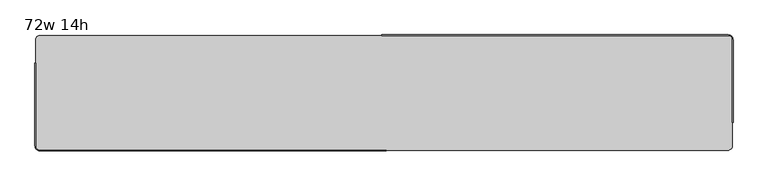
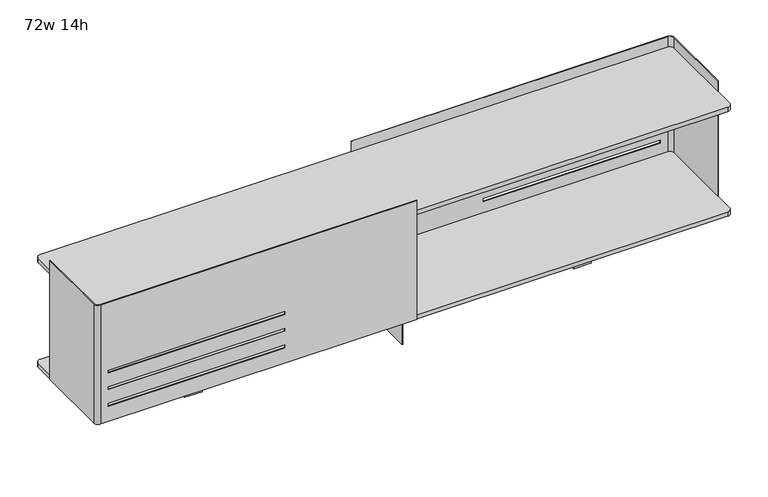
"""IFC4 building model written with IfcOpenShell, lengths in millimetres: furniture geometry, 72w 14h."""

from ifc_helpers import new_model, si_unit, point, frame, frame_2d, origin, place, context, project, spatial, polyline, circle_curve, trimmed, segment, composite_curve, outline, extrude, source, transform, mapped, element, save
from ifc_brep_helpers import plane_surface, cylinder_surface, revolved_surface, advanced_brep


def furniture_72w_14h_02fd8ac3(model_context):
    return source(origin(), model_context, "Body", "SolidModel", [
        extrude(outline(polyline([(6.35, 493.7125), (6.35, 265.1125), (-6.35, 265.1125), (-6.35, 493.7125), (6.35, 493.7125)])), frame((0.0, 0.0, 860.4250242), z_axis=(0.0, 0.0, 1.0), x_axis=(1.0, 0.0, 0.0)), (0.0, 0.0, 1.0), 305.387343),
        advanced_brep(
        [(901.7, 493.7125, 1209.675), (912.8125, 482.6, 1209.675), (912.8125, 265.1125, 1209.675), (914.4, 265.1125, 1209.675), (914.4, 482.6, 1209.675), (901.7, 495.3, 1209.675), (-6.35, 495.3, 1209.675), (-6.35, 493.7125, 1209.675), (901.7, 493.7125, 847.725), (-6.35, 493.7125, 847.725), (-6.35, 495.3, 847.725), (901.7, 495.3, 847.725), (914.4, 482.6, 847.725), (914.4, 265.1125, 847.725), (912.8125, 265.1125, 847.725), (912.8125, 482.6, 847.725), (880.3639961, 493.7125, 902.4144186), (880.3639961, 493.7125, 894.1593992), (372.3639961, 493.7125, 894.1593992), (372.3639961, 493.7125, 902.4144186), (880.3639961, 493.7125, 1004.0143944), (880.3639961, 493.7125, 995.759375), (372.3639961, 493.7125, 995.759375), (372.3639961, 493.7125, 1004.0143944), (880.3639961, 493.7125, 953.2144065), (880.3639961, 493.7125, 944.9593871), (372.3639961, 493.7125, 944.9593871), (372.3639961, 493.7125, 953.2144065), (880.3639961, 495.3, 894.1593992), (880.3639961, 495.3, 902.4144186), (372.3639961, 495.3, 902.4144186), (372.3639961, 495.3, 894.1593992), (880.3639961, 495.3, 995.759375), (880.3639961, 495.3, 1004.0143944), (372.3639961, 495.3, 1004.0143944), (372.3639961, 495.3, 995.759375), (880.3639961, 495.3, 944.9593871), (880.3639961, 495.3, 953.2144065), (372.3639961, 495.3, 953.2144065), (372.3639961, 495.3, 944.9593871)],
        [
            (0, 1, circle_curve(frame((901.7, 482.6, 1209.675), z_axis=(0.0, 0.0, -1.0), x_axis=(1.0, 0.0, 0.0)), 11.1125)),
            (1, 2),
            (2, 3),
            (3, 4),
            (4, 5, circle_curve(frame((901.7, 482.6, 1209.675), z_axis=(0.0, 0.0, 1.0), x_axis=(1.0, 0.0, 0.0)), 12.7)),
            (5, 6),
            (6, 7),
            (7, 0),
            (8, 9),
            (9, 10),
            (10, 11),
            (11, 12, circle_curve(frame((901.7, 482.6, 847.725), z_axis=(0.0, 0.0, -1.0), x_axis=(1.0, 0.0, 0.0)), 12.7)),
            (12, 13),
            (13, 14),
            (14, 15),
            (15, 8, circle_curve(frame((901.7, 482.6, 847.725), z_axis=(0.0, 0.0, 1.0), x_axis=(1.0, 0.0, 0.0)), 11.1125)),
            (7, 9),
            (8, 0),
            (16, 17),
            (17, 18),
            (18, 19),
            (19, 16),
            (20, 21),
            (21, 22),
            (22, 23),
            (23, 20),
            (24, 25),
            (25, 26),
            (26, 27),
            (27, 24),
            (5, 11),
            (10, 6),
            (28, 29),
            (29, 30),
            (30, 31),
            (31, 28),
            (32, 33),
            (33, 34),
            (34, 35),
            (35, 32),
            (36, 37),
            (37, 38),
            (38, 39),
            (39, 36),
            (15, 1),
            (14, 2),
            (13, 3),
            (12, 4),
            (16, 29),
            (28, 17),
            (31, 18),
            (30, 19),
            (20, 33),
            (32, 21),
            (35, 22),
            (34, 23),
            (24, 37),
            (36, 25),
            (39, 26),
            (38, 27),
        ],
        [
            plane_surface(frame((912.8125, 482.6, 1209.675), z_axis=(0.0, 0.0, 1.0), x_axis=(0.0, -1.0, 0.0))),
            plane_surface(frame((912.8125, 482.6, 847.725), z_axis=(0.0, 0.0, -1.0), x_axis=(0.0, 1.0, 0.0))),
            plane_surface(frame((-6.35, 493.7125, 1209.675), z_axis=(0.0, -1.0, 0.0), x_axis=(0.0, 0.0, -1.0))),
            plane_surface(frame((901.7, 495.3, 1209.675), z_axis=(0.0, 1.0, 0.0), x_axis=(0.0, 0.0, -1.0))),
            revolved_surface(polyline([(912.8125, 482.6, 847.725), (912.8125, 482.6, 1209.675)]), (901.7, 482.6, 847.725), (0.0, 0.0, -1.0)),
            plane_surface(frame((912.8125, 482.6, 1209.675), z_axis=(-1.0, 0.0, 0.0), x_axis=(0.0, 0.0, -1.0))),
            plane_surface(frame((912.8125, 265.1125, 1209.675), z_axis=(0.0, -1.0, 0.0), x_axis=(0.0, 0.0, -1.0))),
            plane_surface(frame((914.4, 265.1125, 1209.675), z_axis=(1.0, 0.0, 0.0), x_axis=(0.0, 0.0, -1.0))),
            cylinder_surface(frame((901.7, 482.6, 847.725), z_axis=(0.0, 0.0, 1.0), x_axis=(1.0, 0.0, 0.0)), 12.7),
            plane_surface(frame((880.3639961, 553.8218239, 902.4144186), z_axis=(-1.0, 0.0, 0.0), x_axis=(0.0, -1.0, 0.0))),
            plane_surface(frame((880.3639961, 553.8218239, 894.1593992), z_axis=(0.0, 0.0, 1.0), x_axis=(0.0, -1.0, 0.0))),
            plane_surface(frame((372.3639961, 553.8218239, 894.1593992), z_axis=(1.0, 0.0, 0.0), x_axis=(0.0, -1.0, 0.0))),
            plane_surface(frame((372.3639961, 553.8218239, 902.4144186), z_axis=(0.0, 0.0, -1.0), x_axis=(0.0, -1.0, 0.0))),
            plane_surface(frame((880.3639961, 553.8218239, 1004.0143944), z_axis=(-1.0, 0.0, 0.0), x_axis=(0.0, -1.0, 0.0))),
            plane_surface(frame((880.3639961, 553.8218239, 995.759375), z_axis=(0.0, 0.0, 1.0), x_axis=(0.0, -1.0, 0.0))),
            plane_surface(frame((372.3639961, 553.8218239, 995.759375), z_axis=(1.0, 0.0, 0.0), x_axis=(0.0, -1.0, 0.0))),
            plane_surface(frame((372.3639961, 553.8218239, 1004.0143944), z_axis=(0.0, 0.0, -1.0), x_axis=(0.0, -1.0, 0.0))),
            plane_surface(frame((880.3639961, 553.8218239, 953.2144065), z_axis=(-1.0, 0.0, 0.0), x_axis=(0.0, -1.0, 0.0))),
            plane_surface(frame((880.3639961, 553.8218239, 944.9593871), z_axis=(0.0, 0.0, 1.0), x_axis=(0.0, -1.0, 0.0))),
            plane_surface(frame((372.3639961, 553.8218239, 944.9593871), z_axis=(1.0, 0.0, 0.0), x_axis=(0.0, -1.0, 0.0))),
            plane_surface(frame((372.3639961, 553.8218239, 953.2144065), z_axis=(0.0, 0.0, -1.0), x_axis=(0.0, -1.0, 0.0))),
            plane_surface(frame((-6.35, 495.3, 1209.675), z_axis=(-1.0, 0.0, 0.0), x_axis=(0.0, 0.0, -1.0))),
        ],
        [
            (0, [[1, 2, 3, 4, 5, 6, 7, 8]]),
            (1, [[9, 10, 11, 12, 13, 14, 15, 16]]),
            (2, [[-8, 17, -9, 18], [19, 20, 21, 22], [23, 24, 25, 26], [27, 28, 29, 30]]),
            (3, [[-6, 31, -11, 32], [33, 34, 35, 36], [37, 38, 39, 40], [41, 42, 43, 44]]),
            (4, [[-1, -18, -16, 45]]),
            (5, [[-2, -45, -15, 46]]),
            (6, [[-3, -46, -14, 47]]),
            (7, [[-4, -47, -13, 48]]),
            (8, [[-5, -48, -12, -31]]),
            (9, [[49, -33, 50, -19]]),
            (10, [[-50, -36, 51, -20]]),
            (11, [[-51, -35, 52, -21]]),
            (12, [[-49, -22, -52, -34]]),
            (13, [[53, -37, 54, -23]]),
            (14, [[-54, -40, 55, -24]]),
            (15, [[-55, -39, 56, -25]]),
            (16, [[-53, -26, -56, -38]]),
            (17, [[57, -41, 58, -27]]),
            (18, [[-58, -44, 59, -28]]),
            (19, [[-59, -43, 60, -29]]),
            (20, [[-57, -30, -60, -42]]),
            (21, [[-7, -32, -10, -17]]),
        ],
    ),
        advanced_brep(
        [(-901.7, 192.0875, 1209.675), (-912.8125, 203.2, 1209.675), (-912.8125, 420.6875, 1209.675), (-914.4, 420.6875, 1209.675), (-914.4, 203.2, 1209.675), (-901.7, 190.5, 1209.675), (6.35, 190.5, 1209.675), (6.35, 192.0875, 1209.675), (-901.7, 192.0875, 847.725), (6.35, 192.0875, 847.725), (6.35, 190.5, 847.725), (-901.7, 190.5, 847.725), (-914.4, 203.2, 847.725), (-914.4, 420.6875, 847.725), (-912.8125, 420.6875, 847.725), (-912.8125, 203.2, 847.725), (-880.3639961, 190.5, 894.1593992), (-880.3639961, 192.0875, 894.1593992), (-880.3639961, 192.0875, 902.4144186), (-880.3639961, 190.5, 902.4144186), (-372.3639961, 190.5, 894.1593992), (-372.3639961, 192.0875, 894.1593992), (-372.3639961, 190.5, 902.4144186), (-372.3639961, 192.0875, 902.4144186), (-880.3639961, 190.5, 995.759375), (-880.3639961, 192.0875, 995.759375), (-880.3639961, 192.0875, 1004.0143944), (-880.3639961, 190.5, 1004.0143944), (-372.3639961, 190.5, 995.759375), (-372.3639961, 192.0875, 995.759375), (-372.3639961, 190.5, 1004.0143944), (-372.3639961, 192.0875, 1004.0143944), (-880.3639961, 190.5, 944.9593871), (-880.3639961, 192.0875, 944.9593871), (-880.3639961, 192.0875, 953.2144065), (-880.3639961, 190.5, 953.2144065), (-372.3639961, 190.5, 944.9593871), (-372.3639961, 192.0875, 944.9593871), (-372.3639961, 190.5, 953.2144065), (-372.3639961, 192.0875, 953.2144065)],
        [
            (0, 1, circle_curve(frame((-901.7, 203.2, 1209.675), z_axis=(0.0, 0.0, -1.0), x_axis=(1.0, 0.0, 0.0)), 11.1125)),
            (1, 2),
            (2, 3),
            (3, 4),
            (4, 5, circle_curve(frame((-901.7, 203.2, 1209.675), z_axis=(0.0, 0.0, 1.0), x_axis=(1.0, 0.0, 0.0)), 12.7)),
            (5, 6),
            (6, 7),
            (7, 0),
            (8, 9),
            (9, 10),
            (10, 11),
            (11, 12, circle_curve(frame((-901.7, 203.2, 847.725), z_axis=(0.0, 0.0, -1.0), x_axis=(1.0, 0.0, 0.0)), 12.7)),
            (12, 13),
            (13, 14),
            (14, 15),
            (15, 8, circle_curve(frame((-901.7, 203.2, 847.725), z_axis=(0.0, 0.0, 1.0), x_axis=(1.0, 0.0, 0.0)), 11.1125)),
            (16, 17),
            (17, 18),
            (18, 19),
            (19, 16),
            (16, 20),
            (20, 21),
            (21, 17),
            (20, 22),
            (22, 23),
            (23, 21),
            (22, 19),
            (18, 23),
            (24, 25),
            (25, 26),
            (26, 27),
            (27, 24),
            (24, 28),
            (28, 29),
            (29, 25),
            (28, 30),
            (30, 31),
            (31, 29),
            (30, 27),
            (26, 31),
            (32, 33),
            (33, 34),
            (34, 35),
            (35, 32),
            (32, 36),
            (36, 37),
            (37, 33),
            (36, 38),
            (38, 39),
            (39, 37),
            (38, 35),
            (34, 39),
            (0, 8),
            (15, 1),
            (14, 2),
            (13, 3),
            (12, 4),
            (11, 5),
            (10, 6),
            (9, 7),
        ],
        [
            plane_surface(frame((912.8125, 482.6, 1209.675), z_axis=(0.0, 0.0, 1.0), x_axis=(0.0, -1.0, 0.0))),
            plane_surface(frame((912.8125, 482.6, 847.725), z_axis=(0.0, 0.0, -1.0), x_axis=(0.0, 1.0, 0.0))),
            plane_surface(frame((-880.3639961, 553.8218239, 894.1593992), z_axis=(1.0, 0.0, 0.0), x_axis=(0.0, -1.0, 0.0))),
            plane_surface(frame((-372.3639961, 553.8218239, 894.1593992), z_axis=(0.0, 0.0, 1.0), x_axis=(0.0, -1.0, 0.0))),
            plane_surface(frame((-372.3639961, 553.8218239, 902.4144186), z_axis=(-1.0, 0.0, 0.0), x_axis=(0.0, -1.0, 0.0))),
            plane_surface(frame((-880.3639961, 553.8218239, 902.4144186), z_axis=(0.0, 0.0, -1.0), x_axis=(0.0, -1.0, 0.0))),
            plane_surface(frame((-880.3639961, 553.8218239, 995.759375), z_axis=(1.0, 0.0, 0.0), x_axis=(0.0, -1.0, 0.0))),
            plane_surface(frame((-372.3639961, 553.8218239, 995.759375), z_axis=(0.0, 0.0, 1.0), x_axis=(0.0, -1.0, 0.0))),
            plane_surface(frame((-372.3639961, 553.8218239, 1004.0143944), z_axis=(-1.0, 0.0, 0.0), x_axis=(0.0, -1.0, 0.0))),
            plane_surface(frame((-880.3639961, 553.8218239, 1004.0143944), z_axis=(0.0, 0.0, -1.0), x_axis=(0.0, -1.0, 0.0))),
            plane_surface(frame((-880.3639961, 553.8218239, 944.9593871), z_axis=(1.0, 0.0, 0.0), x_axis=(0.0, -1.0, 0.0))),
            plane_surface(frame((-372.3639961, 553.8218239, 944.9593871), z_axis=(0.0, 0.0, 1.0), x_axis=(0.0, -1.0, 0.0))),
            plane_surface(frame((-372.3639961, 553.8218239, 953.2144065), z_axis=(-1.0, 0.0, 0.0), x_axis=(0.0, -1.0, 0.0))),
            plane_surface(frame((-880.3639961, 553.8218239, 953.2144065), z_axis=(0.0, 0.0, -1.0), x_axis=(0.0, -1.0, 0.0))),
            revolved_surface(polyline([(-890.5875000000001, 203.2, 847.725), (-890.5875000000001, 203.2, 1209.675)]), (-901.7, 203.2, 0.0), (0.0, 0.0, -1.0)),
            plane_surface(frame((-912.8125, 203.2, 1209.675), z_axis=(1.0, 0.0, 0.0), x_axis=(0.0, 0.0, -1.0))),
            plane_surface(frame((-912.8125, 420.6875, 1209.675), z_axis=(0.0, 1.0, 0.0), x_axis=(0.0, 0.0, -1.0))),
            plane_surface(frame((-914.4, 420.6875, 1209.675), z_axis=(-1.0, 0.0, 0.0), x_axis=(0.0, 0.0, -1.0))),
            cylinder_surface(frame((-901.7, 203.2, 0.0), z_axis=(0.0, 0.0, 1.0), x_axis=(1.0, 0.0, 0.0)), 12.7),
            plane_surface(frame((-901.7, 190.5, 1209.675), z_axis=(0.0, -1.0, 0.0), x_axis=(0.0, 0.0, -1.0))),
            plane_surface(frame((6.35, 190.5, 1209.675), z_axis=(1.0, 0.0, 0.0), x_axis=(0.0, 0.0, -1.0))),
            plane_surface(frame((6.35, 192.0875, 1209.675), z_axis=(0.0, 1.0, 0.0), x_axis=(0.0, 0.0, -1.0))),
        ],
        [
            (0, [[1, 2, 3, 4, 5, 6, 7, 8]]),
            (1, [[9, 10, 11, 12, 13, 14, 15, 16]]),
            (2, [[17, 18, 19, 20]]),
            (3, [[-17, 21, 22, 23]]),
            (4, [[-22, 24, 25, 26]]),
            (5, [[-25, 27, -19, 28]]),
            (6, [[29, 30, 31, 32]]),
            (7, [[-29, 33, 34, 35]]),
            (8, [[-34, 36, 37, 38]]),
            (9, [[-37, 39, -31, 40]]),
            (10, [[41, 42, 43, 44]]),
            (11, [[-41, 45, 46, 47]]),
            (12, [[-46, 48, 49, 50]]),
            (13, [[-49, 51, -43, 52]]),
            (14, [[-1, 53, -16, 54]]),
            (15, [[-2, -54, -15, 55]]),
            (16, [[-3, -55, -14, 56]]),
            (17, [[-4, -56, -13, 57]]),
            (18, [[-5, -57, -12, 58]]),
            (19, [[-6, -58, -11, 59], [-20, -27, -24, -21], [-32, -39, -36, -33], [-44, -51, -48, -45]]),
            (20, [[-7, -59, -10, 60]]),
            (21, [[-8, -60, -9, -53], [-18, -23, -26, -28], [-30, -35, -38, -40], [-42, -47, -50, -52]]),
        ],
    ),
        extrude(outline(polyline([(-533.4, 361.95), (-533.4, 323.453125), (-584.2, 323.453125), (-584.2, 361.95), (-533.4, 361.95)])), frame((0.0, 0.0, 736.6), z_axis=(0.0, 0.0, 1.0), x_axis=(1.0, 0.0, 0.0)), (0.0, 0.0, 1.0), 111.125),
        extrude(outline(polyline([(533.4, 361.95), (584.2, 361.95), (584.2, 323.453125), (533.4, 323.453125), (533.4, 361.95)])), frame((0.0, 0.0, 736.6), z_axis=(0.0, 0.0, 1.0), x_axis=(1.0, 0.0, 0.0)), (0.0, 0.0, 1.0), 111.125),
        extrude(outline(polyline([(1.5875, 433.3841935), (1.5875, 252.4158065), (-1.5875, 252.4158065), (-1.5875, 433.3841935), (1.5875, 433.3841935)])), frame((0.0, 0.0, 736.6), z_axis=(0.0, 0.0, 1.0), x_axis=(1.0, 0.0, 0.0)), (0.0, 0.0, 1.0), 111.125),
        extrude(outline(composite_curve([segment(trimmed(circle_curve(frame_2d((900.1125, 481.0125)), 12.7), [point((900.1125, 493.7125))], [point((912.8125, 481.0125))], False, "CARTESIAN"), True, "CONTINUOUS"), segment(polyline([(912.8125, 481.0125), (912.8125, 204.7875)]), True, "CONTINUOUS"), segment(trimmed(circle_curve(frame_2d((900.1125, 204.7875)), 12.7), [point((912.8125, 204.7875))], [point((900.1125, 192.0875))], False, "CARTESIAN"), True, "CONTINUOUS"), segment(polyline([(900.1125, 192.0875), (-900.1125, 192.0875)]), True, "CONTINUOUS"), segment(trimmed(circle_curve(frame_2d((-900.1125, 204.7875)), 12.7), [point((-900.1125, 192.0875))], [point((-912.8125, 204.7875))], False, "CARTESIAN"), True, "CONTINUOUS"), segment(polyline([(-912.8125, 204.7875), (-912.8125, 481.0125)]), True, "CONTINUOUS"), segment(trimmed(circle_curve(frame_2d((-900.1125, 481.0125)), 12.7), [point((-912.8125, 481.0125))], [point((-900.1125, 493.7125))], False, "CARTESIAN"), True, "CONTINUOUS"), segment(polyline([(-900.1125, 493.7125), (900.1125, 493.7125)]), True, "CONTINUOUS")], self_intersect=False)), frame((0.0, 0.0, 1165.8123672), z_axis=(0.0, 0.0, 1.0), x_axis=(1.0, 0.0, 0.0)), (0.0, 0.0, 1.0), 12.7000242),
        extrude(outline(composite_curve([segment(trimmed(circle_curve(frame_2d((900.1125, 481.0125)), 12.7), [point((900.1125, 493.7125))], [point((912.8125, 481.0125))], False, "CARTESIAN"), True, "CONTINUOUS"), segment(polyline([(912.8125, 481.0125), (912.8125, 204.7875)]), True, "CONTINUOUS"), segment(trimmed(circle_curve(frame_2d((900.1125, 204.7875)), 12.7), [point((912.8125, 204.7875))], [point((900.1125, 192.0875))], False, "CARTESIAN"), True, "CONTINUOUS"), segment(polyline([(900.1125, 192.0875), (-900.1125, 192.0875)]), True, "CONTINUOUS"), segment(trimmed(circle_curve(frame_2d((-900.1125, 204.7875)), 12.7), [point((-900.1125, 192.0875))], [point((-912.8125, 204.7875))], False, "CARTESIAN"), True, "CONTINUOUS"), segment(polyline([(-912.8125, 204.7875), (-912.8125, 481.0125)]), True, "CONTINUOUS"), segment(trimmed(circle_curve(frame_2d((-900.1125, 481.0125)), 12.7), [point((-912.8125, 481.0125))], [point((-900.1125, 493.7125))], False, "CARTESIAN"), True, "CONTINUOUS"), segment(polyline([(-900.1125, 493.7125), (900.1125, 493.7125)]), True, "CONTINUOUS")], self_intersect=False)), frame((0.0, 0.0, 847.725), z_axis=(0.0, 0.0, 1.0), x_axis=(1.0, 0.0, 0.0)), (0.0, 0.0, 1.0), 12.7000242),
    ])


if __name__ == "__main__":
    model = new_model("IFC4")
    model_context = context("Model", 3, world=origin())
    ifc_project = project(units=[si_unit("LENGTHUNIT", "METRE", prefix="MILLI")], contexts=[model_context])
    site = spatial("IfcSite", under=ifc_project)
    building = spatial("IfcBuilding", under=site)
    placement = place(None, origin())
    furniture_72w_14h_shape = furniture_72w_14h_02fd8ac3(model_context)
    element("IfcFurniture", 1, ObjectType="72w 14h", at=placement, inside=building, context=model_context, shape_type="MappedRepresentation", body=[
        mapped(furniture_72w_14h_shape, transform((0.0, 0.0, 0.0), x_axis=(1.0, 0.0, 0.0), y_axis=(0.0, 1.0, 0.0), z_axis=(0.0, 0.0, 1.0))),
    ])
    save(model, "model.ifc")
